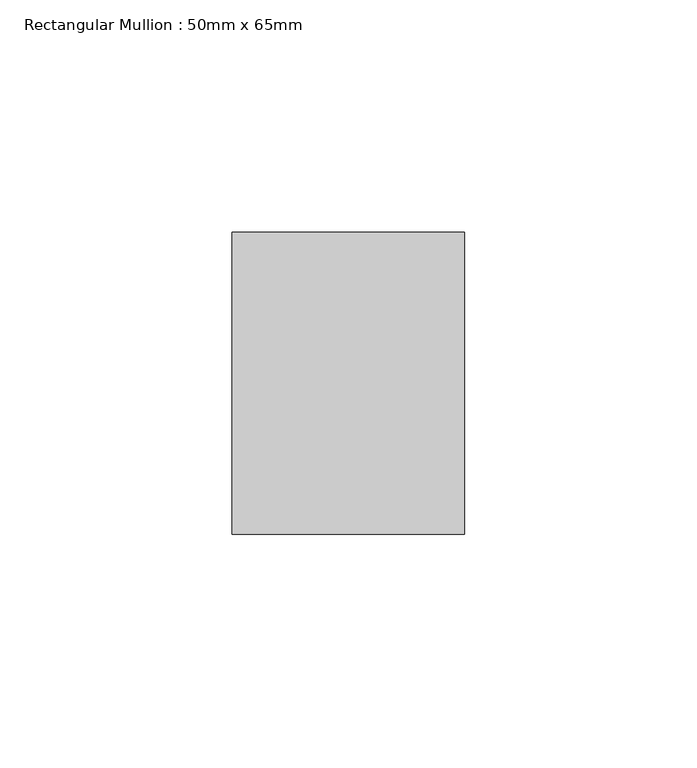
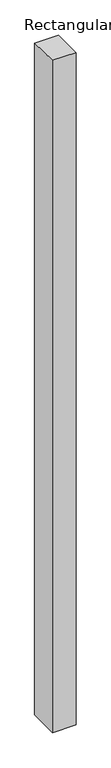
"""IFC4 building model written with IfcOpenShell, lengths in millimetres: member geometry, Rectangular Mullion : 50mm x 65mm."""

from ifc_helpers import new_model, si_unit, origin, place, context, project, spatial, faceted_brep, source, transform, mapped, element, save


def rectangular_mullion_50mm_x_65mm_e5285757(model_context):
    return source(origin(), model_context, "Body", "Brep", [
        faceted_brep([(-25.0, 32.5, -0.3536721), (25.0, 32.5, -0.3536685), (25.0, 32.5, -1499.5481736), (-25.0, 32.5, -1499.5481691), (-25.0, -32.5, 0.3536685), (-25.0, -32.5, -1500.4517984), (25.0, -32.5, 0.3536721), (25.0, -32.5, -1500.451803)], [[[0, 1, 2, 3]], [[4, 0, 3, 5]], [[6, 4, 5, 7]], [[1, 6, 7, 2]], [[1, 0, 4, 6]], [[2, 7, 5, 3]]]),
    ])


if __name__ == "__main__":
    model = new_model("IFC4")
    model_context = context("Model", 3, world=origin())
    ifc_project = project(units=[si_unit("LENGTHUNIT", "METRE", prefix="MILLI")], contexts=[model_context])
    site = spatial("IfcSite", under=ifc_project)
    building = spatial("IfcBuilding", under=site)
    placement = place(None, origin())
    rectangular_mullion_50mm_x_65mm_shape = rectangular_mullion_50mm_x_65mm_e5285757(model_context)
    element("IfcMember", 1, ObjectType="Rectangular Mullion : 50mm x 65mm", at=placement, inside=building, context=model_context, shape_type="MappedRepresentation", body=[
        mapped(rectangular_mullion_50mm_x_65mm_shape, transform((0.0, 0.0, 0.0), x_axis=(1.0, 0.0, 0.0), y_axis=(0.0, 1.0, 0.0), z_axis=(0.0, 0.0, 1.0))),
    ])
    save(model, "model.ifc")
